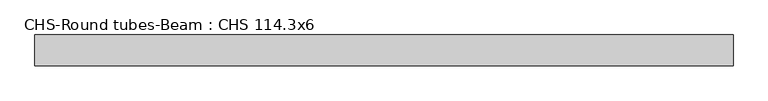
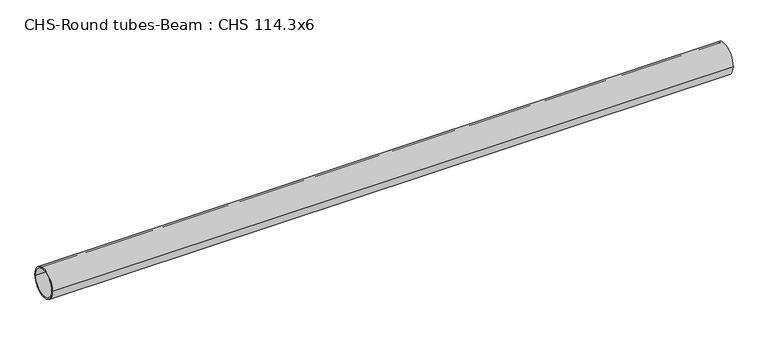
"""IFC4 building model written with IfcOpenShell, lengths in millimetres: beam geometry, CHS-Round tubes-Beam : CHS 114.3x6."""

from ifc_helpers import new_model, si_unit, point, frame, origin, origin_2d, place, context, project, spatial, circle_curve, trimmed, segment, composite_curve, outline, extrude, source, transform, mapped, element, save


def chs_round_tubes_beam_chs_114_3x6_6b22ff58(model_context):
    return source(origin(), model_context, "Body", "SweptSolid", [
        extrude(outline(composite_curve([segment(trimmed(circle_curve(origin_2d(), 57.15), [point((57.15, 0.0))], [point((-57.15, 0.0))], False, "CARTESIAN"), True, "CONTINUOUS"), segment(trimmed(circle_curve(origin_2d(), 57.15), [point((-57.15, 0.0))], [point((57.15, 0.0))], False, "CARTESIAN"), True, "CONTINUOUS")], self_intersect=False), holes=[composite_curve([segment(trimmed(circle_curve(origin_2d(), 51.15), [point((51.15, 0.0))], [point((-51.15, 0.0))], True, "CARTESIAN"), True, "CONTINUOUS"), segment(trimmed(circle_curve(origin_2d(), 51.15), [point((-51.15, 0.0))], [point((51.15, 0.0))], True, "CARTESIAN"), True, "CONTINUOUS")], self_intersect=False)]), frame((-1117.371595, 0.0, 0.0), z_axis=(1.0, 0.0, 0.0), x_axis=(0.0, 1.0, 0.0)), (0.0, 0.0, 1.0), 2575.7383488),
    ])


if __name__ == "__main__":
    model = new_model("IFC4")
    model_context = context("Model", 3, world=origin())
    ifc_project = project(units=[si_unit("LENGTHUNIT", "METRE", prefix="MILLI")], contexts=[model_context])
    site = spatial("IfcSite", under=ifc_project)
    building = spatial("IfcBuilding", under=site)
    placement = place(None, origin())
    chs_round_tubes_beam_chs_114_3x6_shape = chs_round_tubes_beam_chs_114_3x6_6b22ff58(model_context)
    element("IfcBeam", 1, ObjectType="CHS-Round tubes-Beam : CHS 114.3x6", at=placement, inside=building, context=model_context, shape_type="MappedRepresentation", body=[
        mapped(chs_round_tubes_beam_chs_114_3x6_shape, transform((0.0, 0.0, 0.0), x_axis=(1.0, 0.0, 0.0), y_axis=(0.0, 1.0, 0.0), z_axis=(0.0, 0.0, 1.0))),
    ])
    save(model, "model.ifc")
